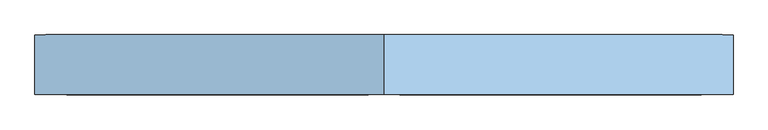
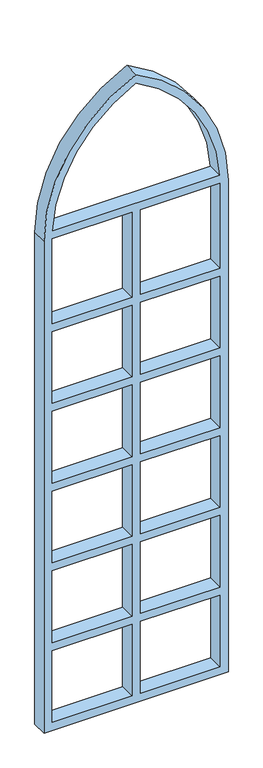
"""IFC4 building model written with IfcOpenShell, lengths in millimetres: window geometry."""

from ifc_helpers import new_model, si_unit, point, frame, frame_2d, origin, place, context, project, spatial, polyline, circle_curve, trimmed, segment, composite_curve, outline, extrude, source, transform, mapped, element, save


def window_08aacc10(model_context):
    return source(origin(), model_context, "Body", "SweptSolid", [
        extrude(outline(composite_curve([segment(trimmed(circle_curve(frame_2d((4935.1067518, 1039.4568414)), 1501.6252953), [point((6300.0, 413.4017732))], [point((4935.1067518, -462.1684538))], False, "CARTESIAN"), True, "CONTINUOUS"), segment(polyline([(4935.1067518, -462.1684538), (0.0, -462.1684538), (0.0, 1288.9720002), (800.0, 1288.9720002), (4935.1067518, 1288.9720002)]), True, "CONTINUOUS"), segment(trimmed(circle_curve(frame_2d((4935.1067518, -212.653295)), 1501.6252953), [point((4935.1067518, 1288.9720002))], [point((6300.0, 413.4017732))], False, "CARTESIAN"), True, "CONTINUOUS")], self_intersect=False), holes=[composite_curve([segment(trimmed(circle_curve(frame_2d((4935.1067518, -212.653295)), 1421.8165152), [point((6211.6713817, 413.4017732))], [point((5010.5625042, 1207.1595913))], True, "CARTESIAN"), True, "CONTINUOUS"), segment(polyline([(5010.5625042, 1207.1595913), (5010.5625042, -380.3560449)]), True, "CONTINUOUS"), segment(trimmed(circle_curve(frame_2d((4935.1067518, 1039.4568414)), 1421.8165152), [point((5010.5625042, -380.3560449))], [point((6211.6713817, 413.4017732))], True, "CARTESIAN"), True, "CONTINUOUS")], self_intersect=False), polyline([(80.0, 373.4017732), (80.0, -382.1684538), (800.0, -382.1684538), (800.0, 373.4017732), (80.0, 373.4017732)]), polyline([(800.0, 1208.9720002), (80.0, 1208.9720002), (80.0, 453.4017732), (800.0, 453.4017732), (800.0, 1208.9720002)]), polyline([(880.0, 373.4017732), (880.0, -382.1684538), (1600.0, -382.1684538), (1600.0, 373.4017732), (880.0, 373.4017732)]), polyline([(1600.0, 1208.9720002), (880.0, 1208.9720002), (880.0, 453.4017732), (1600.0, 453.4017732), (1600.0, 1208.9720002)]), polyline([(1680.0, 373.4017732), (1680.0, -382.1684538), (2400.0, -382.1684538), (2400.0, 373.4017732), (1680.0, 373.4017732)]), polyline([(2400.0, 1208.9720002), (1680.0, 1208.9720002), (1680.0, 453.4017732), (2400.0, 453.4017732), (2400.0, 1208.9720002)]), polyline([(2480.0, 373.4017732), (2480.0, -382.1684538), (3200.0, -382.1684538), (3200.0, 373.4017732), (2480.0, 373.4017732)]), polyline([(3200.0, 1208.9720002), (2480.0, 1208.9720002), (2480.0, 453.4017732), (3200.0, 453.4017732), (3200.0, 1208.9720002)]), polyline([(3280.0, 373.4017732), (3280.0, -382.1684538), (4000.0, -382.1684538), (4000.0, 373.4017732), (3280.0, 373.4017732)]), polyline([(4000.0, 1208.9720002), (3280.0, 1208.9720002), (3280.0, 453.4017732), (4000.0, 453.4017732), (4000.0, 1208.9720002)]), polyline([(4080.0, 373.4017732), (4080.0, -382.1684538), (4930.5625042, -382.1684538), (4930.5625042, 373.4017732), (4080.0, 373.4017732)]), polyline([(4930.5625042, 1208.9720002), (4080.0, 1208.9720002), (4080.0, 453.4017732), (4930.5625042, 453.4017732), (4930.5625042, 1208.9720002)])]), frame((0.0, 200.0, 0.0), z_axis=(0.0, 1.0, 0.0), x_axis=(0.0, 0.0, 1.0)), (0.0, 0.0, 1.0), 150.0),
    ])


if __name__ == "__main__":
    model = new_model("IFC4")
    model_context = context("Model", 3, world=origin())
    ifc_project = project(units=[si_unit("LENGTHUNIT", "METRE", prefix="MILLI")], contexts=[model_context])
    site = spatial("IfcSite", under=ifc_project)
    building = spatial("IfcBuilding", under=site)
    placement = place(None, origin())
    window_shape = window_08aacc10(model_context)
    element("IfcWindow", 1, at=placement, inside=building, context=model_context, shape_type="MappedRepresentation", body=[
        mapped(window_shape, transform((0.0, 0.0, 0.0), x_axis=(1.0, 0.0, 0.0), y_axis=(0.0, 1.0, 0.0), z_axis=(0.0, 0.0, 1.0))),
    ])
    save(model, "model.ifc")
